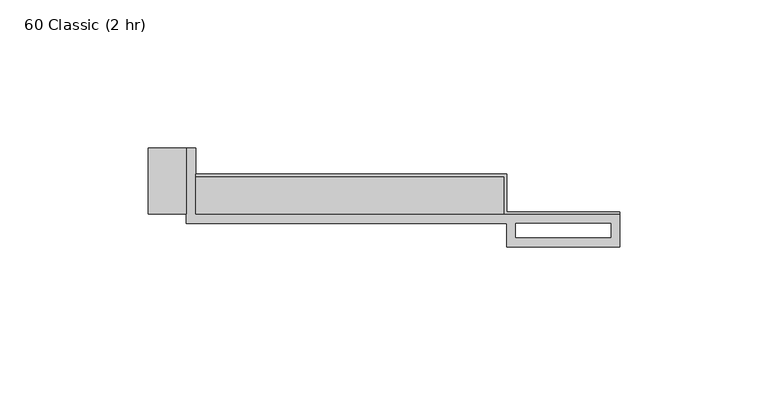
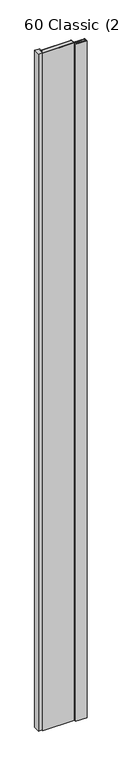
"""IFC4 building model written with IfcOpenShell, lengths in millimetres: proxy geometry, 60 Classic (2 hr)."""

from ifc_helpers import new_model, si_unit, frame, origin, origin_with_axes, place, context, project, spatial, polyline, outline, extrude, source, transform, mapped, element, save


def proxy_60_classic_2_hr_e8d9fe72(model_context):
    return source(origin(), model_context, "Body", "SweptSolid", [
        extrude(outline(polyline([(-104.775, 12.7), (-104.775, 13.49375), (0.0, 13.49375), (0.0, 0.79375), (38.1, 0.79375), (38.1, 0.0), (-0.79375, 0.0), (-0.79375, 12.7), (-104.775, 12.7)])), frame((0.0, 0.0, 609.6), z_axis=(0.0, 0.0, 1.0), x_axis=(1.0, 0.0, 0.0)), (0.0, 0.0, 1.0), 1828.8),
        extrude(outline(polyline([(-107.95, 0.0), (-120.65, 0.0), (-120.65, 22.225), (-107.95, 22.225), (-107.95, 0.0)])), origin_with_axes(), (0.0, 0.0, 1.0), 2438.4),
        extrude(outline(polyline([(0.0, 0.0), (-104.775, 0.0), (-104.775, 12.7), (0.0, 12.7), (0.0, 0.0)])), frame((0.0, 0.0, 609.6), z_axis=(0.0, 0.0, 1.0), x_axis=(1.0, 0.0, 0.0)), (0.0, 0.0, 1.0), 1828.8),
        extrude(outline(polyline([(-107.95, 22.225), (-104.775, 22.225), (-104.775, 0.0), (38.1, 0.0), (38.1, -11.1125), (0.0, -11.1125), (0.0, -3.175), (-107.95, -3.175), (-107.95, 22.225)]), holes=[polyline([(3.175, -3.175), (3.175, -7.9375), (35.1499571, -7.9375), (35.1499571, -3.175), (3.175, -3.175)])]), origin_with_axes(), (0.0, 0.0, 1.0), 2438.4),
    ])


if __name__ == "__main__":
    model = new_model("IFC4")
    model_context = context("Model", 3, world=origin())
    ifc_project = project(units=[si_unit("LENGTHUNIT", "METRE", prefix="MILLI")], contexts=[model_context])
    site = spatial("IfcSite", under=ifc_project)
    building = spatial("IfcBuilding", under=site)
    placement = place(None, origin())
    proxy_60_classic_2_hr_shape = proxy_60_classic_2_hr_e8d9fe72(model_context)
    element("IfcBuildingElementProxy", 1, Name="60 Classic (2 hr)", ObjectType="60 Classic (2 hr)", at=placement, inside=building, context=model_context, shape_type="MappedRepresentation", body=[
        mapped(proxy_60_classic_2_hr_shape, transform((0.0, 0.0, 0.0), x_axis=(1.0, 0.0, 0.0), y_axis=(0.0, 1.0, 0.0), z_axis=(0.0, 0.0, 1.0))),
    ])
    save(model, "model.ifc")
